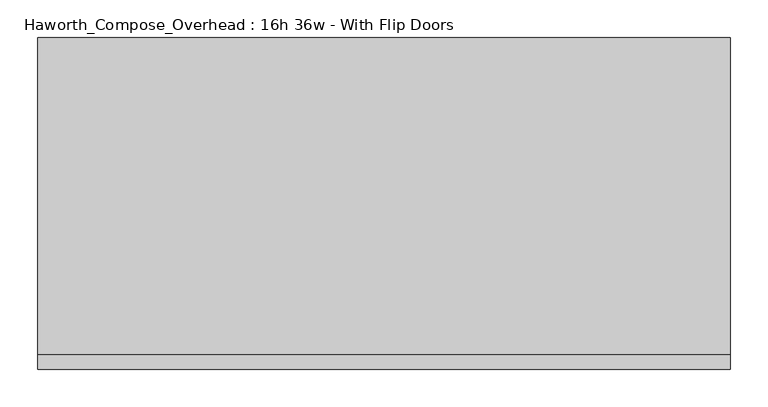
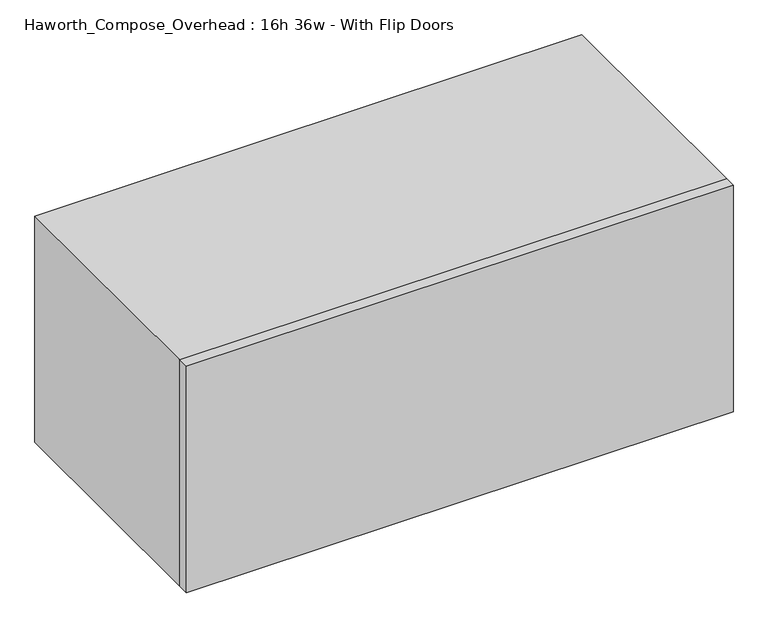
"""IFC4 building model written with IfcOpenShell, lengths in millimetres: furniture geometry, Haworth_Compose_Overhead : 16h 36w - With Flip Doors."""

from ifc_helpers import new_model, si_unit, frame, origin, place, context, project, spatial, polyline, outline, extrude, source, transform, mapped, element, save


def haworth_compose_overhead_16h_36w_with_flip_doors_b03986e0(model_context):
    return source(origin(), model_context, "Body", "SweptSolid", [
        extrude(outline(polyline([(622.3, -438.15), (-292.1, -438.15), (-292.1, -419.1), (622.3, -419.1), (622.3, -438.15)])), frame((0.0, 0.0, 1270.0), z_axis=(0.0, 0.0, 1.0), x_axis=(1.0, 0.0, 0.0)), (0.0, 0.0, 1.0), 400.05),
        extrude(outline(polyline([(596.9, -6.35), (-266.7, -6.35), (-266.7, 0.0), (596.9, 0.0), (596.9, -6.35)])), frame((0.0, 0.0, 1295.4), z_axis=(0.0, 0.0, 1.0), x_axis=(1.0, 0.0, 0.0)), (0.0, 0.0, 1.0), 349.25),
        extrude(outline(polyline([(1270.0, 622.3), (1670.05, 622.3), (1670.05, -292.1), (1270.0, -292.1), (1270.0, 622.3)]), holes=[polyline([(1644.65, 596.9), (1295.4, 596.9), (1295.4, -266.7), (1644.65, -266.7), (1644.65, 596.9)])]), frame((0.0, -419.1, 0.0), z_axis=(0.0, 1.0, 0.0), x_axis=(0.0, 0.0, 1.0)), (0.0, 0.0, 1.0), 419.1),
    ])


if __name__ == "__main__":
    model = new_model("IFC4")
    model_context = context("Model", 3, world=origin())
    ifc_project = project(units=[si_unit("LENGTHUNIT", "METRE", prefix="MILLI")], contexts=[model_context])
    site = spatial("IfcSite", under=ifc_project)
    building = spatial("IfcBuilding", under=site)
    placement = place(None, origin())
    haworth_compose_overhead_16h_36w_with_flip_doors_shape = haworth_compose_overhead_16h_36w_with_flip_doors_b03986e0(model_context)
    element("IfcFurniture", 1, ObjectType="Haworth_Compose_Overhead : 16h 36w - With Flip Doors", at=placement, inside=building, context=model_context, shape_type="MappedRepresentation", body=[
        mapped(haworth_compose_overhead_16h_36w_with_flip_doors_shape, transform((0.0, 0.0, 0.0), x_axis=(1.0, 0.0, 0.0), y_axis=(0.0, 1.0, 0.0), z_axis=(0.0, 0.0, 1.0))),
    ])
    save(model, "model.ifc")
